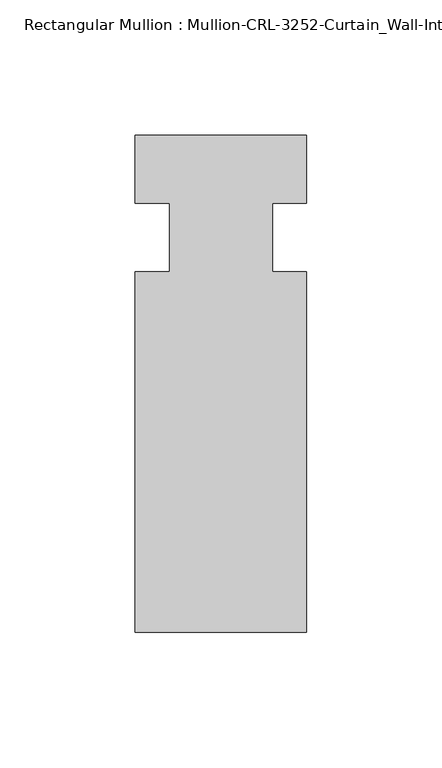
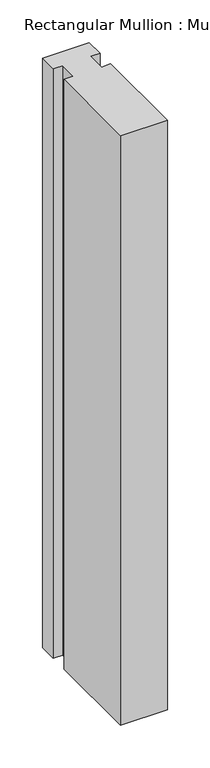
"""IFC4 building model written with IfcOpenShell, lengths in millimetres: member geometry, Rectangular Mullion : Mullion-CRL-3252-Curtain_Wall-Intermediate_Vertical."""

from ifc_helpers import new_model, si_unit, frame, origin, place, context, project, spatial, polyline, outline, extrude, source, transform, mapped, element, save


def rectangular_mullion_mullion_crl_3252_curtain_wall_69c02d61(model_context):
    return source(origin(), model_context, "Body", "SweptSolid", [
        extrude(outline(polyline([(31.7997793, -146.0054758), (-31.7000602, -146.0054758), (-31.7000602, -12.7), (-19.008026, -12.7), (-19.008026, 12.7), (-31.7000602, 12.7), (-31.7000602, 37.8626457), (31.7997793, 37.8626457), (31.7997793, 12.7), (19.0940404, 12.7), (19.0940404, -12.7), (31.7997793, -12.7), (31.7997793, -146.0054758)])), frame((0.0, 0.0, -845.8398438), z_axis=(0.0, 0.0, 1.0), x_axis=(1.0, 0.0, 0.0)), (0.0, 0.0, 1.0), 845.8398438),
    ])


if __name__ == "__main__":
    model = new_model("IFC4")
    model_context = context("Model", 3, world=origin())
    ifc_project = project(units=[si_unit("LENGTHUNIT", "METRE", prefix="MILLI")], contexts=[model_context])
    site = spatial("IfcSite", under=ifc_project)
    building = spatial("IfcBuilding", under=site)
    placement = place(None, origin())
    rectangular_mullion_mullion_crl_3252_curtain_wall_shape = rectangular_mullion_mullion_crl_3252_curtain_wall_69c02d61(model_context)
    element("IfcMember", 1, ObjectType="Rectangular Mullion : Mullion-CRL-3252-Curtain_Wall-Intermediate_Vertical", at=placement, inside=building, context=model_context, shape_type="MappedRepresentation", body=[
        mapped(rectangular_mullion_mullion_crl_3252_curtain_wall_shape, transform((0.0, 0.0, 0.0), x_axis=(1.0, 0.0, 0.0), y_axis=(0.0, 1.0, 0.0), z_axis=(0.0, 0.0, 1.0))),
    ])
    save(model, "model.ifc")
